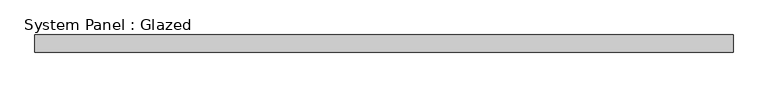
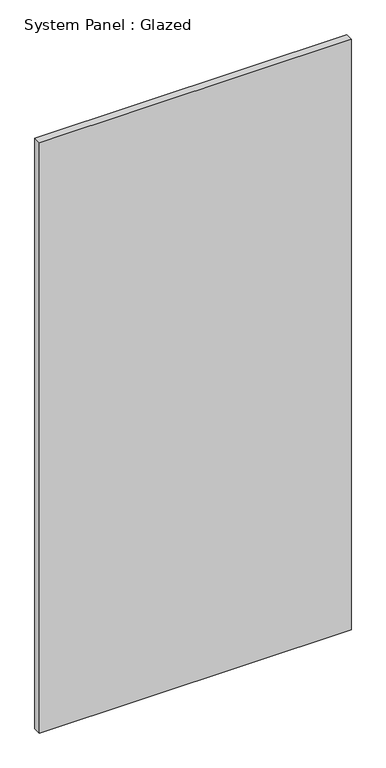
"""IFC4 building model written with IfcOpenShell, lengths in millimetres: plate geometry, System Panel : Glazed."""

from ifc_helpers import new_model, si_unit, origin, origin_with_axes, place, context, project, spatial, polyline, outline, extrude, source, transform, mapped, element, save


def system_panel_glazed_724dc06d(model_context):
    return source(origin(), model_context, "Body", "SweptSolid", [
        extrude(outline(polyline([(499.1727699, 24.5), (-499.1727699, 24.5), (-499.1727699, 49.5), (499.1727699, 49.5), (499.1727699, 24.5)])), origin_with_axes(), (0.0, 0.0, 1.0), 2000.0),
    ])


if __name__ == "__main__":
    model = new_model("IFC4")
    model_context = context("Model", 3, world=origin())
    ifc_project = project(units=[si_unit("LENGTHUNIT", "METRE", prefix="MILLI")], contexts=[model_context])
    site = spatial("IfcSite", under=ifc_project)
    building = spatial("IfcBuilding", under=site)
    placement = place(None, origin())
    system_panel_glazed_shape = system_panel_glazed_724dc06d(model_context)
    element("IfcPlate", 1, ObjectType="System Panel : Glazed", at=placement, inside=building, context=model_context, shape_type="MappedRepresentation", body=[
        mapped(system_panel_glazed_shape, transform((0.0, 0.0, 0.0), x_axis=(1.0, 0.0, 0.0), y_axis=(0.0, 1.0, 0.0), z_axis=(0.0, 0.0, 1.0))),
    ])
    save(model, "model.ifc")
